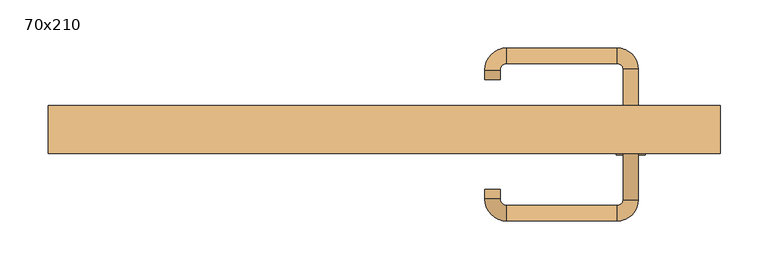
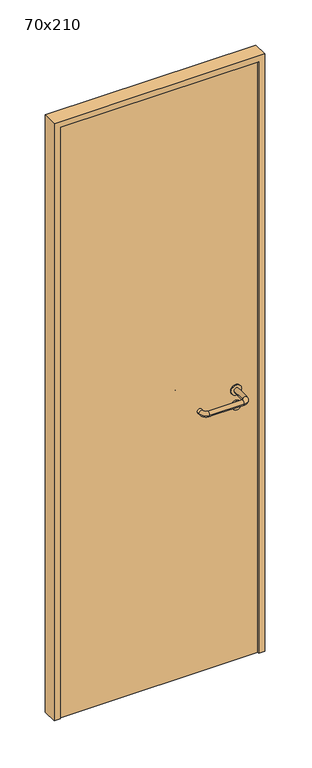
"""IFC4 building model written with IfcOpenShell, lengths in millimetres: door geometry, 70x210."""

from ifc_helpers import new_model, si_unit, point, frame, frame_2d, origin, origin_with_axes, place, context, project, spatial, polyline, circle_curve, ellipse_curve, trimmed, segment, composite_curve, outline, extrude, source, transform, mapped, element, save
from ifc_brep_helpers import plane_surface, cylinder_surface, revolved_surface, advanced_brep


def door_70x210_e3ce6c34(model_context):
    return source(origin(), model_context, "Body", "SolidModel", [
        extrude(outline(composite_curve([segment(trimmed(circle_curve(frame_2d((897.3605726, 257.0)), 15.0), [point((897.3605726, 272.0))], [point((897.3605726, 242.0))], False, "CARTESIAN"), True, "CONTINUOUS"), segment(trimmed(circle_curve(frame_2d((897.3605726, 257.0)), 15.0), [point((897.3605726, 242.0))], [point((897.3605726, 272.0))], False, "CARTESIAN"), True, "CONTINUOUS")], self_intersect=False), holes=[composite_curve([segment(trimmed(circle_curve(frame_2d((892.5833211, 256.9398032)), 2.0), [point((892.5833211, 258.9398032))], [point((892.5833211, 254.9398032))], True, "CARTESIAN"), True, "CONTINUOUS"), segment(polyline([(892.5833211, 254.9398032), (902.5833211, 254.9398032)]), True, "CONTINUOUS"), segment(trimmed(circle_curve(frame_2d((902.5833211, 256.9398032)), 2.0), [point((902.5833211, 254.9398032))], [point((902.5833211, 258.9398032))], True, "CARTESIAN"), True, "CONTINUOUS"), segment(polyline([(902.5833211, 258.9398032), (892.5833211, 258.9398032)]), True, "CONTINUOUS")], self_intersect=False)]), frame((0.0, -15.0, 0.0), z_axis=(0.0, 1.0, 0.0), x_axis=(0.0, 0.0, 1.0)), (0.0, 0.0, 1.0), 6.35),
        extrude(outline(composite_curve([segment(trimmed(circle_curve(frame_2d((950.0, 257.0)), 17.526), [point((950.0, 274.526))], [point((950.0, 239.474))], False, "CARTESIAN"), True, "CONTINUOUS"), segment(trimmed(circle_curve(frame_2d((950.0, 257.0)), 17.526), [point((950.0, 239.474))], [point((950.0, 274.526))], False, "CARTESIAN"), True, "CONTINUOUS")], self_intersect=False)), frame((0.0, -15.0, 0.0), z_axis=(0.0, 1.0, 0.0), x_axis=(0.0, 0.0, 1.0)), (0.0, 0.0, 1.0), 3.175),
        advanced_brep(
        [(265.0, -15.0, 950.0), (249.0, -15.0, 950.0), (265.0, 38.0, 950.0), (249.0, 38.0, 950.0), (242.8578644, 44.1421356, 950.0), (242.8578644, 60.1421356, 950.0), (127.8578644, 60.1421356, 950.0), (127.8578644, 44.1421356, 950.0), (121.008622, 37.2928932, 950.0), (105.008622, 37.2928932, 950.0), (105.008622, 27.2928932, 950.0), (121.008622, 27.2928932, 950.0)],
        [
            (0, 1, circle_curve(frame((257.0, -15.0, 950.0), z_axis=(0.0, -1.0, 0.0), x_axis=(-1.0, 0.0, 0.0)), 8.0)),
            (1, 0, circle_curve(frame((257.0, -15.0, 950.0), z_axis=(0.0, -1.0, 0.0), x_axis=(-1.0, 0.0, 0.0)), 8.0)),
            (0, 2),
            (2, 3, circle_curve(frame((257.0, 38.0, 950.0), z_axis=(0.0, -1.0, 0.0), x_axis=(-1.0, 0.0, 0.0)), 8.0)),
            (3, 1),
            (3, 2, circle_curve(frame((257.0, 38.0, 950.0), z_axis=(0.0, -1.0, 0.0), x_axis=(-1.0, 0.0, 0.0)), 8.0)),
            (4, 3, circle_curve(frame((242.8578644, 38.0, 950.0), z_axis=(0.0, 0.0, -1.0), x_axis=(1.0, 0.0, 0.0)), 6.1421356)),
            (2, 5, circle_curve(frame((242.8578644, 38.0, 950.0), z_axis=(0.0, 0.0, 1.0), x_axis=(1.0, 0.0, 0.0)), 22.1421356)),
            (5, 4, circle_curve(frame((242.8578644, 52.1421356, 950.0), z_axis=(1.0, 0.0, 0.0), x_axis=(0.0, -1.0, 0.0)), 8.0)),
            (4, 5, circle_curve(frame((242.8578644, 52.1421356, 950.0), z_axis=(1.0, 0.0, 0.0), x_axis=(0.0, -1.0, 0.0)), 8.0)),
            (5, 6),
            (6, 7, circle_curve(frame((127.8578644, 52.1421356, 950.0), z_axis=(1.0, 0.0, 0.0), x_axis=(0.0, -1.0, 0.0)), 8.0)),
            (7, 4),
            (7, 6, circle_curve(frame((127.8578644, 52.1421356, 950.0), z_axis=(1.0, 0.0, 0.0), x_axis=(0.0, -1.0, 0.0)), 8.0)),
            (8, 7, circle_curve(frame((127.8578644, 37.2928932, 950.0), z_axis=(0.0, 0.0, -1.0), x_axis=(0.0, 1.0, 0.0)), 6.8492424)),
            (6, 9, circle_curve(frame((127.8578644, 37.2928932, 950.0), z_axis=(0.0, 0.0, 1.0), x_axis=(0.0, 1.0, 0.0)), 22.8492424)),
            (9, 8, circle_curve(frame((113.008622, 37.2928932, 950.0), z_axis=(0.0, 1.0, 0.0), x_axis=(1.0, 0.0, 0.0)), 8.0)),
            (8, 9, circle_curve(frame((113.008622, 37.2928932, 950.0), z_axis=(0.0, 1.0, 0.0), x_axis=(1.0, 0.0, 0.0)), 8.0)),
            (10, 11, circle_curve(frame((113.008622, 27.2928932, 950.0), z_axis=(0.0, -1.0, 0.0), x_axis=(1.0, 0.0, 0.0)), 8.0)),
            (11, 10, circle_curve(frame((113.008622, 27.2928932, 950.0), z_axis=(0.0, -1.0, 0.0), x_axis=(1.0, 0.0, 0.0)), 8.0)),
            (9, 10),
            (11, 8),
        ],
        [
            plane_surface(frame((257.0, -15.0, 0.0), z_axis=(0.0, -1.0, 0.0), x_axis=(0.0, 0.0, 1.0))),
            cylinder_surface(frame((257.0, -15.0, 950.0), z_axis=(0.0, -1.0, 0.0), x_axis=(-1.0, 0.0, 0.0)), 8.0),
            revolved_surface(trimmed(ellipse_curve(frame((257.0, 38.0, 950.0), z_axis=(0.0, -1.0, 0.0), x_axis=(-1.0, 0.0, 0.0)), 8.0, 8.0), [point((265.0, 38.0, 950.0))], [point((249.0, 38.0, 950.0))], True, "CARTESIAN"), (242.8578644, 38.0, 0.0), (0.0, 0.0, 1.0)),
            revolved_surface(trimmed(ellipse_curve(frame((257.0, 38.0, 950.0), z_axis=(0.0, -1.0, 0.0), x_axis=(-1.0, 0.0, 0.0)), 8.0, 8.0), [point((249.0, 38.0, 950.0))], [point((265.0, 38.0, 950.0))], True, "CARTESIAN"), (242.8578644, 38.0, 0.0), (0.0, 0.0, 1.0)),
            cylinder_surface(frame((242.8578644, 52.1421356, 950.0), z_axis=(1.0, 0.0, 0.0), x_axis=(0.0, -1.0, 0.0)), 8.0),
            revolved_surface(trimmed(ellipse_curve(frame((127.8578644, 52.1421356, 950.0), z_axis=(1.0, 0.0, 0.0), x_axis=(0.0, -1.0, 0.0)), 8.0, 8.0), [point((127.8578644, 60.1421356, 950.0))], [point((127.8578644, 44.1421356, 950.0))], True, "CARTESIAN"), (127.8578644, 37.2928932, 0.0), (0.0, 0.0, 1.0)),
            revolved_surface(trimmed(ellipse_curve(frame((127.8578644, 52.1421356, 950.0), z_axis=(1.0, 0.0, 0.0), x_axis=(0.0, -1.0, 0.0)), 8.0, 8.0), [point((127.8578644, 44.1421356, 950.0))], [point((127.8578644, 60.1421356, 950.0))], True, "CARTESIAN"), (127.8578644, 37.2928932, 0.0), (0.0, 0.0, 1.0)),
            plane_surface(frame((113.008622, 27.2928932, 0.0), z_axis=(0.0, -1.0, 0.0), x_axis=(0.0, 0.0, 1.0))),
            cylinder_surface(frame((113.008622, 37.2928932, 950.0), z_axis=(0.0, 1.0, 0.0), x_axis=(1.0, 0.0, 0.0)), 8.0),
        ],
        [
            (0, [[1, 2]]),
            (1, [[-1, 3, 4, 5]]),
            (1, [[-2, -5, 6, -3]]),
            (2, [[7, -4, 8, 9]]),
            (3, [[-8, -6, -7, 10]]),
            (4, [[-9, 11, 12, 13]]),
            (4, [[-10, -13, 14, -11]]),
            (5, [[15, -12, 16, 17]]),
            (6, [[-16, -14, -15, 18]]),
            (7, [[19, 20]]),
            (8, [[-17, 21, -20, 22]]),
            (8, [[-18, -22, -19, -21]]),
        ],
    ),
        extrude(outline(composite_curve([segment(trimmed(circle_curve(frame_2d((0.0, 15.0)), 15.0), [point((0.0, 30.0))], [point((0.0, 0.0))], False, "CARTESIAN"), True, "CONTINUOUS"), segment(trimmed(circle_curve(frame_2d((0.0, 15.0)), 15.0), [point((0.0, 0.0))], [point((0.0, 30.0))], False, "CARTESIAN"), True, "CONTINUOUS")], self_intersect=False), holes=[composite_curve([segment(trimmed(circle_curve(frame_2d((-4.7772515, 14.9398032)), 2.0), [point((-4.7772515, 16.9398032))], [point((-4.7772515, 12.9398032))], True, "CARTESIAN"), True, "CONTINUOUS"), segment(polyline([(-4.7772515, 12.9398032), (5.2227485, 12.9398032)]), True, "CONTINUOUS"), segment(trimmed(circle_curve(frame_2d((5.2227485, 14.9398032)), 2.0), [point((5.2227485, 12.9398032))], [point((5.2227485, 16.9398032))], True, "CARTESIAN"), True, "CONTINUOUS"), segment(polyline([(5.2227485, 16.9398032), (-4.7772515, 16.9398032)]), True, "CONTINUOUS")], self_intersect=False)]), frame((242.0, -51.35, 897.3605726), z_axis=(-1.8870575173328306e-12, 1.0, 0.0), x_axis=(0.0, 0.0, 1.0)), (0.0, 0.0, 1.0), 6.35),
        extrude(outline(composite_curve([segment(trimmed(circle_curve(frame_2d((0.0, 17.526)), 17.526), [point((0.0, 35.052))], [point((0.0, 0.0))], False, "CARTESIAN"), True, "CONTINUOUS"), segment(trimmed(circle_curve(frame_2d((0.0, 17.526)), 17.526), [point((0.0, 0.0))], [point((0.0, 35.052))], False, "CARTESIAN"), True, "CONTINUOUS")], self_intersect=False)), frame((239.474, -48.175, 950.0), z_axis=(-1.8870575173328306e-12, 1.0, 0.0), x_axis=(0.0, 0.0, 1.0)), (0.0, 0.0, 1.0), 3.175),
        advanced_brep(
        [(265.0, -45.0, 950.0), (249.0, -45.0, 950.0), (249.0, -98.0, 950.0), (265.0, -98.0, 950.0), (242.8578644, -104.1421356, 950.0), (242.8578644, -120.1421356, 950.0), (127.8578644, -104.1421356, 950.0), (127.8578644, -120.1421356, 950.0), (121.008622, -97.2928932, 950.0), (105.008622, -97.2928932, 950.0), (105.008622, -87.2928932, 950.0), (121.008622, -87.2928932, 950.0)],
        [
            (0, 1, circle_curve(frame((257.0, -45.0, 950.0), z_axis=(-1.888672253512351e-12, 1.0, 0.0), x_axis=(-1.0, -1.888672253512351e-12, 0.0)), 8.0)),
            (1, 0, circle_curve(frame((257.0, -45.0, 950.0), z_axis=(-1.888672253512351e-12, 1.0, 0.0), x_axis=(-1.0, -1.888672253512351e-12, 0.0)), 8.0)),
            (1, 2),
            (2, 3, circle_curve(frame((257.0, -98.0, 950.0), z_axis=(-1.888672253512351e-12, 1.0, 0.0), x_axis=(-1.0, -1.888672253512351e-12, 0.0)), 8.0)),
            (3, 0),
            (3, 2, circle_curve(frame((257.0, -98.0, 950.0), z_axis=(-1.888672253512351e-12, 1.0, 0.0), x_axis=(-1.0, -1.888672253512351e-12, 0.0)), 8.0)),
            (4, 5, circle_curve(frame((242.8578644, -112.1421356, 950.0), z_axis=(1.0, 1.913702061528922e-12, 0.0), x_axis=(-1.913702061528922e-12, 1.0, 0.0)), 8.0)),
            (5, 3, circle_curve(frame((242.8578644, -98.0, 950.0), z_axis=(0.0, 0.0, 1.0), x_axis=(1.0, 1.880717803715015e-12, 0.0)), 22.1421356)),
            (2, 4, circle_curve(frame((242.8578644, -98.0, 950.0), z_axis=(0.0, 0.0, -1.0), x_axis=(1.0, 1.880717803715015e-12, 0.0)), 6.1421356)),
            (5, 4, circle_curve(frame((242.8578644, -112.1421356, 950.0), z_axis=(1.0, 1.913702061528922e-12, 0.0), x_axis=(-1.913702061528922e-12, 1.0, 0.0)), 8.0)),
            (4, 6),
            (6, 7, circle_curve(frame((127.8578644, -112.1421356, 950.0), z_axis=(1.0, 1.913719828541269e-12, 0.0), x_axis=(-1.913719828541269e-12, 1.0, 0.0)), 8.0)),
            (7, 5),
            (7, 6, circle_curve(frame((127.8578644, -112.1421356, 950.0), z_axis=(1.0, 1.913719828541269e-12, 0.0), x_axis=(-1.913719828541269e-12, 1.0, 0.0)), 8.0)),
            (8, 9, circle_curve(frame((113.008622, -97.2928932, 950.0), z_axis=(1.8888942981172756e-12, -1.0, 0.0), x_axis=(1.0, 1.8888942981172756e-12, 0.0)), 8.0)),
            (9, 7, circle_curve(frame((127.8578644, -97.2928932, 950.0), z_axis=(0.0, 0.0, 1.0), x_axis=(1.9120873253494017e-12, -1.0, 0.0)), 22.8492424)),
            (6, 8, circle_curve(frame((127.8578644, -97.2928932, 950.0), z_axis=(0.0, 0.0, -1.0), x_axis=(1.9120873253494017e-12, -1.0, 0.0)), 6.8492424)),
            (9, 8, circle_curve(frame((113.008622, -97.2928932, 950.0), z_axis=(1.890448610351751e-12, -1.0, 0.0), x_axis=(1.0, 1.890448610351751e-12, 0.0)), 8.0)),
            (10, 11, circle_curve(frame((113.008622, -87.2928932, 950.0), z_axis=(-1.8903642334018795e-12, 1.0, 0.0), x_axis=(1.0, 1.8903642334018795e-12, 0.0)), 8.0)),
            (11, 10, circle_curve(frame((113.008622, -87.2928932, 950.0), z_axis=(-1.8903642334018795e-12, 1.0, 0.0), x_axis=(1.0, 1.8903642334018795e-12, 0.0)), 8.0)),
            (8, 11),
            (10, 9),
        ],
        [
            plane_surface(frame((257.0, -45.0, 0.0), z_axis=(-1.8870575173328306e-12, 1.0, 0.0), x_axis=(0.0, 0.0, 1.0))),
            cylinder_surface(frame((257.0, -45.0, 950.0), z_axis=(-1.888672253512351e-12, 1.0, 0.0), x_axis=(-1.0, -1.888672253512351e-12, 0.0)), 8.0),
            revolved_surface(trimmed(ellipse_curve(frame((257.0, -98.0, 950.0), z_axis=(1.8823325398945356e-12, -1.0, 0.0), x_axis=(-1.0, -1.8823325398945356e-12, 0.0)), 8.0, 8.0), [point((265.0, -98.0, 950.0))], [point((249.0, -98.0, 950.0))], True, "CARTESIAN"), (242.8578644, -98.0, 0.0), (0.0, 0.0, 1.0)),
            revolved_surface(trimmed(ellipse_curve(frame((257.0, -98.0, 950.0), z_axis=(1.8823325398945356e-12, -1.0, 0.0), x_axis=(-1.0, -1.8823325398945356e-12, 0.0)), 8.0, 8.0), [point((249.0, -98.0, 950.0))], [point((265.0, -98.0, 950.0))], True, "CARTESIAN"), (242.8578644, -98.0, 0.0), (0.0, 0.0, 1.0)),
            cylinder_surface(frame((242.8578644, -112.1421356, 950.0), z_axis=(1.0, 1.913719828541269e-12, 0.0), x_axis=(-1.913719828541269e-12, 1.0, 0.0)), 8.0),
            revolved_surface(trimmed(ellipse_curve(frame((127.8578644, -112.1421356, 950.0), z_axis=(-1.0, -1.913702061528922e-12, 0.0), x_axis=(-1.913702061528922e-12, 1.0, 0.0)), 8.0, 8.0), [point((127.8578644, -120.1421356, 950.0))], [point((127.8578644, -104.1421356, 950.0))], True, "CARTESIAN"), (127.8578644, -97.2928932, 0.0), (0.0, 0.0, 1.0)),
            revolved_surface(trimmed(ellipse_curve(frame((127.8578644, -112.1421356, 950.0), z_axis=(-1.0, -1.913702061528922e-12, 0.0), x_axis=(-1.913702061528922e-12, 1.0, 0.0)), 8.0, 8.0), [point((127.8578644, -104.1421356, 950.0))], [point((127.8578644, -120.1421356, 950.0))], True, "CARTESIAN"), (127.8578644, -97.2928932, 0.0), (0.0, 0.0, 1.0)),
            plane_surface(frame((113.008622, -87.2928932, 0.0), z_axis=(-1.8887494972223595e-12, 1.0, 0.0), x_axis=(0.0, 0.0, 1.0))),
            cylinder_surface(frame((113.008622, -97.2928932, 950.0), z_axis=(1.8903642334018795e-12, -1.0, 0.0), x_axis=(1.0, 1.8903642334018795e-12, 0.0)), 8.0),
        ],
        [
            (0, [[1, 2]]),
            (1, [[3, 4, 5, -2]]),
            (1, [[-5, 6, -3, -1]]),
            (2, [[7, 8, -4, 9]]),
            (3, [[10, -9, -6, -8]]),
            (4, [[11, 12, 13, -7]]),
            (4, [[-13, 14, -11, -10]]),
            (5, [[15, 16, -12, 17]]),
            (6, [[18, -17, -14, -16]]),
            (7, [[19, 20]]),
            (8, [[21, -19, 22, -15]]),
            (8, [[-22, -20, -21, -18]]),
        ],
    ),
        extrude(outline(polyline([(2080.0, 330.0), (0.0, 330.0), (0.0, 350.0), (2100.0, 350.0), (2100.0, -350.0), (0.0, -350.0), (0.0, -330.0), (2080.0, -330.0), (2080.0, 330.0)])), frame((0.0, -50.0, 0.0), z_axis=(0.0, 1.0, 0.0), x_axis=(0.0, 0.0, 1.0)), (0.0, 0.0, 1.0), 50.0),
        extrude(outline(polyline([(-330.0, -45.0), (-330.0, -15.0), (330.0, -15.0), (330.0, -45.0), (-330.0, -45.0)])), origin_with_axes(), (0.0, 0.0, 1.0), 2080.0),
    ])


if __name__ == "__main__":
    model = new_model("IFC4")
    model_context = context("Model", 3, world=origin())
    ifc_project = project(units=[si_unit("LENGTHUNIT", "METRE", prefix="MILLI")], contexts=[model_context])
    site = spatial("IfcSite", under=ifc_project)
    building = spatial("IfcBuilding", under=site)
    placement = place(None, origin())
    door_70x210_shape = door_70x210_e3ce6c34(model_context)
    element("IfcDoor", 1, ObjectType="70x210", at=placement, inside=building, context=model_context, shape_type="MappedRepresentation", body=[
        mapped(door_70x210_shape, transform((0.0, 0.0, 0.0), x_axis=(1.0, 0.0, 0.0), y_axis=(0.0, 1.0, 0.0), z_axis=(0.0, 0.0, 1.0))),
    ])
    save(model, "model.ifc")
